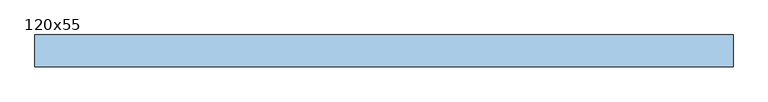
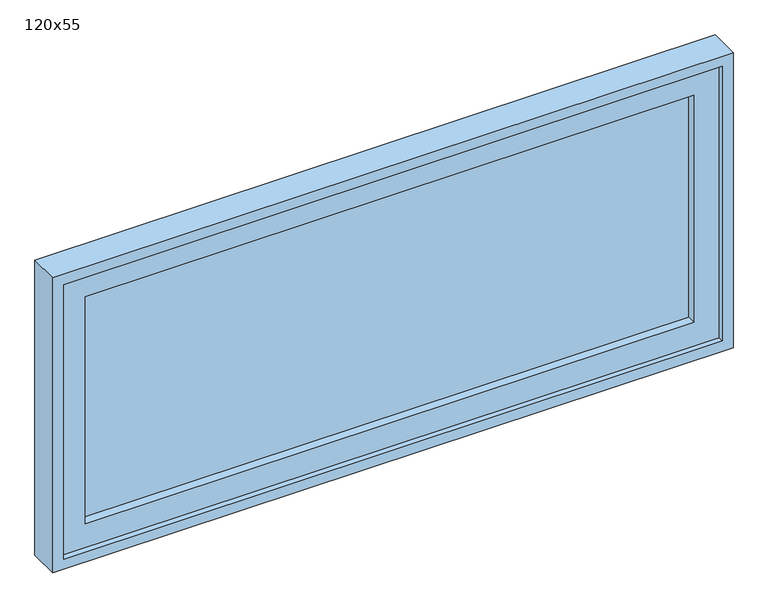
"""IFC4 building model written with IfcOpenShell, lengths in millimetres: window geometry, 120x55."""

import ifcopenshell
import ifcopenshell.guid

model = None  # the IFC model being written
_history = None  # IfcOwnerHistory: only IFC2X3 demands one
_inside = {}  # id of a spatial element -> (the spatial element, [elements in it])
_under = {}  # id of a project, library or spatial element -> (it, [spatial elements below it])
_declared = {}  # id of a project -> (the project, [libraries it declares])
_typed = {}  # id of a type object -> (the type object, [elements of that type])
_made_of = {}  # id of a material, layer set ... -> (it, [elements and type objects made of it])


def new_model(schema):
    """Start an empty IFC model of exactly this schema.

    Asked for "IFC4X3", IfcOpenShell would pick the latest addendum, in which some entities
    have other attributes; the version numbers below select the first issue.
    IFC2X3 requires an IfcOwnerHistory on every rooted entity: one is made here for all.
    """
    global model, _history
    if schema == "IFC4X3":
        model = ifcopenshell.file(schema_version=(4, 3, 0, 0))
    else:
        model = ifcopenshell.file(schema=schema)
    _inside.clear()
    _under.clear()
    _declared.clear()
    _typed.clear()
    _made_of.clear()
    _history = None
    if model.schema == "IFC2X3":
        org = make("IfcOrganization", Name="unknown")
        user = make(
            "IfcPersonAndOrganization",
            ThePerson=make("IfcPerson", FamilyName="unknown"),
            TheOrganization=org,
        )
        app = make(
            "IfcApplication",
            ApplicationDeveloper=org,
            Version="unknown",
            ApplicationFullName="unknown",
            ApplicationIdentifier="unknown",
        )
        _history = make(
            "IfcOwnerHistory",
            OwningUser=user,
            OwningApplication=app,
            ChangeAction="ADDED",
            CreationDate=0,
        )
    return model


def make(cls, **values):
    """One entity of the class cls with the attributes given. An attribute that is None is left unset."""
    return model.create_entity(
        cls, **{name: value for name, value in values.items() if value is not None}
    )


def rooted(cls, **values):
    """An entity with a GlobalId (a new one), such as an element, a storey or a relation."""
    return make(cls, GlobalId=ifcopenshell.guid.new(), OwnerHistory=_history, **values)


def si_unit(unit_type, name, prefix=None):
    """IfcSIUnit, for example si_unit("LENGTHUNIT", "METRE", prefix="MILLI")."""
    return make("IfcSIUnit", UnitType=unit_type, Prefix=prefix, Name=name)


def assignment(units):
    """IfcUnitAssignment: the units of a project."""
    return None if units is None else make("IfcUnitAssignment", Units=units)


def point(xyz):
    """IfcCartesianPoint."""
    return None if xyz is None else make("IfcCartesianPoint", Coordinates=xyz)


def direction(xyz):
    """IfcDirection."""
    return None if xyz is None else make("IfcDirection", DirectionRatios=xyz)


def frame(location, z_axis=None, x_axis=None):
    """IfcAxis2Placement3D, a coordinate frame: its origin and axes. An axis left out is left unset."""
    return make(
        "IfcAxis2Placement3D",
        Location=point(location),
        Axis=direction(z_axis),
        RefDirection=direction(x_axis),
    )


def origin():
    """The frame at (0, 0, 0) with its axes left unset."""
    return frame((0.0, 0.0, 0.0))


def place(relative_to, where):
    """IfcLocalPlacement: puts the frame where relative to a parent placement (None: the world)."""
    return make(
        "IfcLocalPlacement", PlacementRelTo=relative_to, RelativePlacement=where
    )


def context(
    kind, dimensions, precision=None, world=None, true_north=None, identifier=None
):
    """IfcGeometricRepresentationContext, for example the 3D "Model" context."""
    return make(
        "IfcGeometricRepresentationContext",
        ContextIdentifier=identifier,
        ContextType=kind,
        CoordinateSpaceDimension=dimensions,
        Precision=precision,
        WorldCoordinateSystem=world,
        TrueNorth=true_north,
    )


def project(units=None, contexts=None):
    """IfcProject with its units and contexts."""
    return rooted(
        "IfcProject",
        Name="project",
        RepresentationContexts=contexts,
        UnitsInContext=assignment(units),
    )


def spatial(cls, under=None, at=None, **own):
    """A site, building, storey or space (cls), placed at a placement, below another one or the project."""
    s = rooted(cls, ObjectPlacement=at, **own)
    if under is not None:
        _under.setdefault(under.id(), (under, []))[1].append(s)
    return s


def polyline(points):
    """IfcPolyline through the points."""
    return make("IfcPolyline", Points=[point(p) for p in points])


def outline(outer, holes=None, kind="AREA"):
    """IfcArbitraryClosedProfileDef: a profile drawn as a closed curve; with holes, ...WithVoids."""
    if holes is None:
        return make("IfcArbitraryClosedProfileDef", ProfileType=kind, OuterCurve=outer)
    return make(
        "IfcArbitraryProfileDefWithVoids",
        ProfileType=kind,
        OuterCurve=outer,
        InnerCurves=holes,
    )


def extrude(swept, where, along, depth):
    """IfcExtrudedAreaSolid: the profile swept, set in the frame where, extruded along a direction by depth."""
    return make(
        "IfcExtrudedAreaSolid",
        SweptArea=swept,
        Position=where,
        ExtrudedDirection=direction(along),
        Depth=depth,
    )


def shape(context_of_items, identifier, shape_type, items):
    """IfcShapeRepresentation: the items that make up one representation, for example the "Body"."""
    return make(
        "IfcShapeRepresentation",
        ContextOfItems=context_of_items,
        RepresentationIdentifier=identifier,
        RepresentationType=shape_type,
        Items=items,
    )


def source(mapping_origin, context_of_items, identifier, shape_type, items):
    """IfcRepresentationMap: a shape defined once, which mapped items show again and again."""
    return make(
        "IfcRepresentationMap",
        MappingOrigin=mapping_origin,
        MappedRepresentation=shape(context_of_items, identifier, shape_type, items),
    )


def transform(
    local_origin,
    x_axis=None,
    y_axis=None,
    z_axis=None,
    scale=None,
    scale2=None,
    scale3=None,
    uniform=True,
):
    """IfcCartesianTransformationOperator3D, or its non-uniform kind. x_axis, y_axis, z_axis: its Axis1, 2, 3."""
    if uniform:
        return make(
            "IfcCartesianTransformationOperator3D",
            Axis1=direction(x_axis),
            Axis2=direction(y_axis),
            LocalOrigin=point(local_origin),
            Scale=scale,
            Axis3=direction(z_axis),
        )
    return make(
        "IfcCartesianTransformationOperator3DnonUniform",
        Axis1=direction(x_axis),
        Axis2=direction(y_axis),
        LocalOrigin=point(local_origin),
        Scale=scale,
        Axis3=direction(z_axis),
        Scale2=scale2,
        Scale3=scale3,
    )


def mapped(mapping_source, mapping_target):
    """IfcMappedItem: shows the shape of a source again, moved by a transform."""
    return make(
        "IfcMappedItem", MappingSource=mapping_source, MappingTarget=mapping_target
    )


def made_of(thing, what):
    """Note that an element or type object is made of a material, layer set ...; save() writes the relation."""
    if what is not None:
        _made_of.setdefault(what.id(), (what, []))[1].append(thing)
    return thing


def element(
    cls,
    number,
    at=None,
    inside=None,
    cuts=None,
    type_object=None,
    material=None,
    context=None,
    identifier="Body",
    shape_type=None,
    held_by="IfcProductDefinitionShape",
    body=None,
    shapes=None,
    **own,
):
    """One element of the class cls, such as IfcWall. Its Tag is "e" and its number.

    at: its placement. inside: the storey or other place that contains it. cuts: it is an
    opening in that element (IfcRelVoidsElement). A single representation is given by context,
    identifier, shape_type and body (its items); several are given by shapes. held_by: the class
    of the entity that holds the representations. save() writes the other relations.
    """
    e = rooted(cls, Tag="e%d" % number, ObjectPlacement=at, **own)
    if body is not None:
        shapes = [shape(context, identifier, shape_type, body)]
    if shapes is not None:
        e.Representation = make(held_by, Representations=shapes)
    if inside is not None:
        _inside.setdefault(inside.id(), (inside, []))[1].append(e)
    if cuts is not None:
        rooted(
            "IfcRelVoidsElement", RelatingBuildingElement=cuts, RelatedOpeningElement=e
        )
    if type_object is not None:
        _typed.setdefault(type_object.id(), (type_object, []))[1].append(e)
    return made_of(e, material)


def aggregate(whole, parts):
    """IfcRelAggregates: a whole, such as a stair, and the parts it consists of."""
    return rooted("IfcRelAggregates", RelatingObject=whole, RelatedObjects=parts)


def save(model, path):
    """Write the relations noted so far, then the file.

    IfcRelAggregates (storeys below a building ...), IfcRelContainedInSpatialStructure (elements
    in a storey), IfcRelDefinesByType, IfcRelAssociatesMaterial and IfcRelDeclares: one each for
    every whole, place, type object, material and project.
    """
    for whole, parts in _under.values():
        aggregate(whole, parts)
    for where, things in _inside.values():
        rooted(
            "IfcRelContainedInSpatialStructure",
            RelatedElements=things,
            RelatingStructure=where,
        )
    for kind, things in _typed.values():
        rooted("IfcRelDefinesByType", RelatedObjects=things, RelatingType=kind)
    for what, things in _made_of.values():
        rooted("IfcRelAssociatesMaterial", RelatedObjects=things, RelatingMaterial=what)
    for by, libraries in _declared.values():
        rooted("IfcRelDeclares", RelatingContext=by, RelatedDefinitions=libraries)
    model.write(path)


def window_120x55_0e17b8f2(model_context):
    return source(origin(), model_context, "Body", "SweptSolid", [
        extrude(outline(polyline([(498.4, -21.425), (498.4, -34.125), (-574.6, -34.125), (-574.6, -21.425), (498.4, -21.425)])), frame((0.0, 0.0, 977.9), z_axis=(0.0, 0.0, 1.0), x_axis=(1.0, 0.0, 0.0)), (0.0, 0.0, 1.0), 423.0),
        extrude(outline(polyline([(1445.35, -619.05), (933.45, -619.05), (933.45, 542.85), (1445.35, 542.85), (1445.35, -619.05)]), holes=[polyline([(1400.9, -574.6), (1400.9, 498.4), (977.9, 498.4), (977.9, -574.6), (1400.9, -574.6)])]), frame((0.0, -50.0, 0.0), z_axis=(0.0, 1.0, 0.0), x_axis=(0.0, 0.0, 1.0)), (0.0, 0.0, 1.0), 44.45),
        extrude(outline(polyline([(1464.4, 561.9), (1464.4, -638.1), (914.4, -638.1), (914.4, 561.9), (1464.4, 561.9)]), holes=[polyline([(1445.35, 542.85), (933.45, 542.85), (933.45, -619.05), (1445.35, -619.05), (1445.35, 542.85)])]), frame((0.0, -60.0, 0.0), z_axis=(0.0, 1.0, 0.0), x_axis=(0.0, 0.0, 1.0)), (0.0, 0.0, 1.0), 54.45),
    ])


if __name__ == "__main__":
    model = new_model("IFC4")
    model_context = context("Model", 3, world=origin())
    ifc_project = project(units=[si_unit("LENGTHUNIT", "METRE", prefix="MILLI")], contexts=[model_context])
    site = spatial("IfcSite", under=ifc_project)
    building = spatial("IfcBuilding", under=site)
    placement = place(None, origin())
    window_120x55_shape = window_120x55_0e17b8f2(model_context)
    element("IfcWindow", 1, ObjectType="120x55", at=placement, inside=building, context=model_context, shape_type="MappedRepresentation", body=[
        mapped(window_120x55_shape, transform((0.0, 0.0, 0.0), x_axis=(1.0, 0.0, 0.0), y_axis=(0.0, 1.0, 0.0), z_axis=(0.0, 0.0, 1.0))),
    ])
    save(model, "model.ifc")
